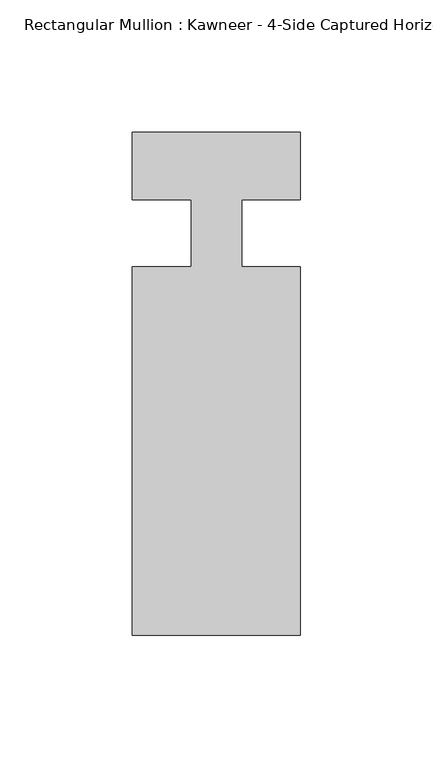
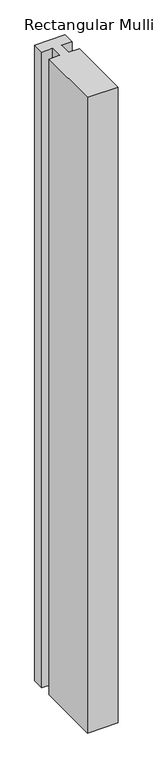
"""IFC4 building model written with IfcOpenShell, lengths in millimetres: member geometry."""

from ifc_helpers import new_model, si_unit, frame, origin, place, context, project, spatial, polyline, outline, extrude, source, transform, mapped, element, save


def member_478bb041(model_context):
    return source(origin(), model_context, "Body", "SweptSolid", [
        extrude(outline(polyline([(-9.525, 12.7), (-31.75, 12.7), (-31.75, 38.1), (31.75, 38.1), (31.75, 12.7), (9.5251132, 12.7), (9.5251132, -12.7), (31.75, -12.7), (31.75, -151.892), (-31.75, -151.892), (-31.75, -12.7), (-9.525, -12.7), (-9.525, 12.7)])), frame((0.0, 0.0, -1398.883135), z_axis=(0.0, 0.0, 1.0), x_axis=(1.0, 0.0, 0.0)), (0.0, 0.0, 1.0), 1398.883135),
    ])


if __name__ == "__main__":
    model = new_model("IFC4")
    model_context = context("Model", 3, world=origin())
    ifc_project = project(units=[si_unit("LENGTHUNIT", "METRE", prefix="MILLI")], contexts=[model_context])
    site = spatial("IfcSite", under=ifc_project)
    building = spatial("IfcBuilding", under=site)
    placement = place(None, origin())
    member_shape = member_478bb041(model_context)
    element("IfcMember", 1, ObjectType="Rectangular Mullion : Kawneer - 4-Side Captured Horizontal Mullion - 7 1/2\"", at=placement, inside=building, context=model_context, shape_type="MappedRepresentation", body=[
        mapped(member_shape, transform((0.0, 0.0, 0.0), x_axis=(1.0, 0.0, 0.0), y_axis=(0.0, 1.0, 0.0), z_axis=(0.0, 0.0, 1.0))),
    ])
    save(model, "model.ifc")
